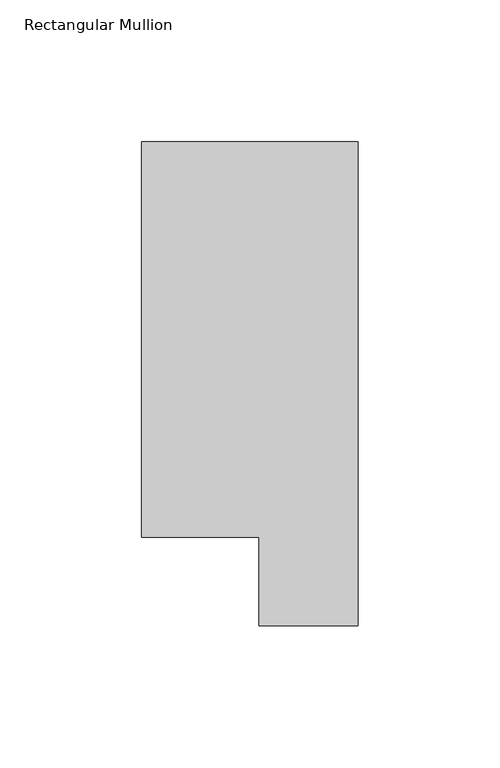
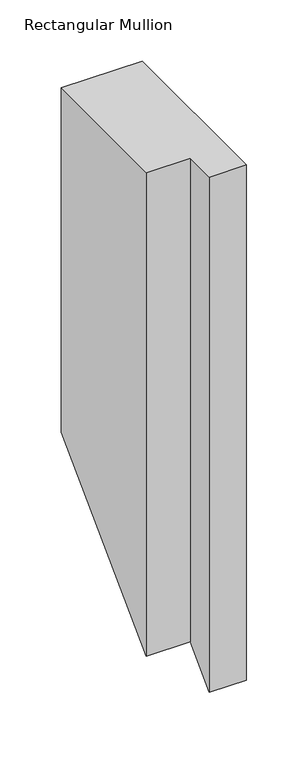
"""IFC4 building model written with IfcOpenShell, lengths in millimetres: member geometry, Rectangular Mullion."""

from ifc_helpers import new_model, si_unit, origin, place, context, project, spatial, faceted_brep, source, transform, mapped, element, save


def rectangular_mullion_b2237460(model_context):
    return source(origin(), model_context, "Body", "Brep", [
        faceted_brep([(-76.2, 190.0007313, 0.0), (-76.2, 50.820278, 0.0), (-34.9123, 50.820278, 0.0), (-34.9123, 19.5667313, 0.0), (0.0, 19.5667313, 0.0), (0.0, 190.0007313, 0.0), (-76.2, 190.0007313, -343.1111375), (-76.2, 50.820278, -482.2915908), (-34.9123, 50.820278, -482.2915908), (-34.9123, 19.5667313, -513.5451375), (0.0, 19.5667313, -513.5451375), (0.0, 190.0007313, -343.1111375)], [[[0, 1, 2, 3, 4, 5]], [[1, 0, 6, 7]], [[2, 1, 7, 8]], [[3, 2, 8, 9]], [[4, 3, 9, 10]], [[5, 4, 10, 11]], [[0, 5, 11, 6]], [[6, 11, 10, 9, 8, 7]]]),
    ])


if __name__ == "__main__":
    model = new_model("IFC4")
    model_context = context("Model", 3, world=origin())
    ifc_project = project(units=[si_unit("LENGTHUNIT", "METRE", prefix="MILLI")], contexts=[model_context])
    site = spatial("IfcSite", under=ifc_project)
    building = spatial("IfcBuilding", under=site)
    placement = place(None, origin())
    rectangular_mullion_shape = rectangular_mullion_b2237460(model_context)
    element("IfcMember", 1, ObjectType="Rectangular Mullion", at=placement, inside=building, context=model_context, shape_type="MappedRepresentation", body=[
        mapped(rectangular_mullion_shape, transform((0.0, 0.0, 0.0), x_axis=(1.0, 0.0, 0.0), y_axis=(0.0, 1.0, 0.0), z_axis=(0.0, 0.0, 1.0))),
    ])
    save(model, "model.ifc")
